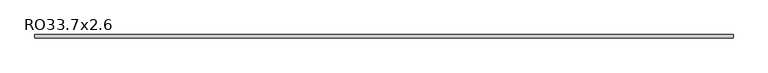
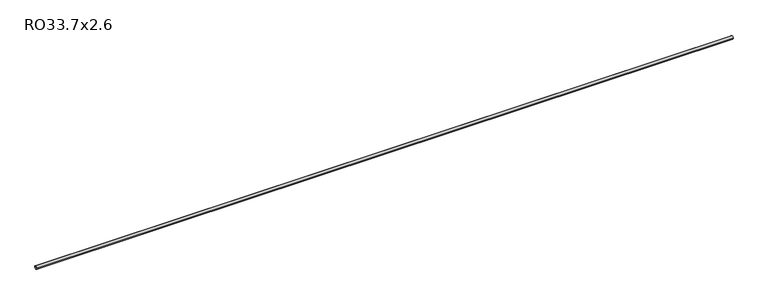
"""IFC4 building model written with IfcOpenShell, lengths in millimetres: beam geometry, RO33.7x2.6."""

from ifc_helpers import new_model, si_unit, point, frame, origin, origin_2d, place, context, project, spatial, circle_curve, trimmed, segment, composite_curve, outline, extrude, source, transform, mapped, element, save


def ro33_7x2_6_55f7f8a0(model_context):
    return source(origin(), model_context, "Body", "SweptSolid", [
        extrude(outline(composite_curve([segment(trimmed(circle_curve(origin_2d(), 16.85), [point((-16.85, 0.0))], [point((16.85, 0.0))], False, "CARTESIAN"), True, "CONTINUOUS"), segment(trimmed(circle_curve(origin_2d(), 16.85), [point((16.85, 0.0))], [point((-16.85, 0.0))], False, "CARTESIAN"), True, "CONTINUOUS")], self_intersect=False), holes=[composite_curve([segment(trimmed(circle_curve(origin_2d(), 14.25), [point((14.25, 0.0))], [point((-14.25, 0.0))], True, "CARTESIAN"), True, "CONTINUOUS"), segment(trimmed(circle_curve(origin_2d(), 14.25), [point((-14.25, 0.0))], [point((14.25, 0.0))], True, "CARTESIAN"), True, "CONTINUOUS")], self_intersect=False)]), frame((-3675.5, 0.0, 0.0), z_axis=(1.0, 0.0, 0.0), x_axis=(0.0, 1.0, 0.0)), (0.0, 0.0, 1.0), 7320.1),
    ])


if __name__ == "__main__":
    model = new_model("IFC4")
    model_context = context("Model", 3, world=origin())
    ifc_project = project(units=[si_unit("LENGTHUNIT", "METRE", prefix="MILLI")], contexts=[model_context])
    site = spatial("IfcSite", under=ifc_project)
    building = spatial("IfcBuilding", under=site)
    placement = place(None, origin())
    ro33_7x2_6_shape = ro33_7x2_6_55f7f8a0(model_context)
    element("IfcBeam", 1, ObjectType="RO33.7x2.6", at=placement, inside=building, context=model_context, shape_type="MappedRepresentation", body=[
        mapped(ro33_7x2_6_shape, transform((0.0, 0.0, 0.0), x_axis=(1.0, 0.0, 0.0), y_axis=(0.0, 1.0, 0.0), z_axis=(0.0, 0.0, 1.0))),
    ])
    save(model, "model.ifc")
